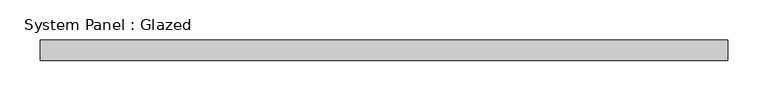
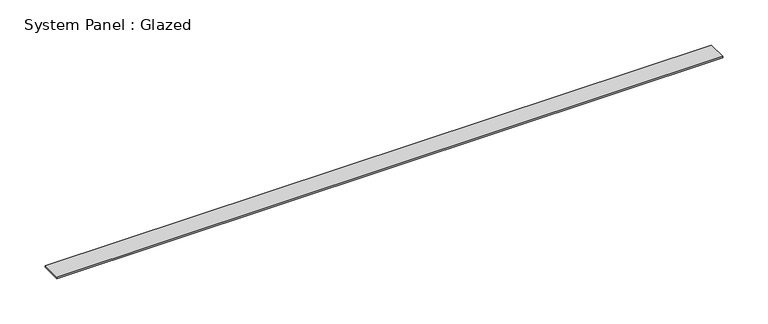
"""IFC4 building model written with IfcOpenShell, lengths in millimetres: plate geometry, System Panel : Glazed."""

from ifc_helpers import new_model, si_unit, origin, origin_with_axes, place, context, project, spatial, polyline, outline, extrude, source, transform, mapped, element, save


def system_panel_glazed_05920ee4(model_context):
    return source(origin(), model_context, "Body", "SweptSolid", [
        extrude(outline(polyline([(425.0000002, 24.5), (-425.0000002, 24.5), (-425.0000002, 49.5), (425.0000002, 49.5), (425.0000002, 24.5)])), origin_with_axes(), (0.0, 0.0, 1.0), 2.0),
    ])


if __name__ == "__main__":
    model = new_model("IFC4")
    model_context = context("Model", 3, world=origin())
    ifc_project = project(units=[si_unit("LENGTHUNIT", "METRE", prefix="MILLI")], contexts=[model_context])
    site = spatial("IfcSite", under=ifc_project)
    building = spatial("IfcBuilding", under=site)
    placement = place(None, origin())
    system_panel_glazed_shape = system_panel_glazed_05920ee4(model_context)
    element("IfcPlate", 1, ObjectType="System Panel : Glazed", at=placement, inside=building, context=model_context, shape_type="MappedRepresentation", body=[
        mapped(system_panel_glazed_shape, transform((0.0, 0.0, 0.0), x_axis=(1.0, 0.0, 0.0), y_axis=(0.0, 1.0, 0.0), z_axis=(0.0, 0.0, 1.0))),
    ])
    save(model, "model.ifc")
